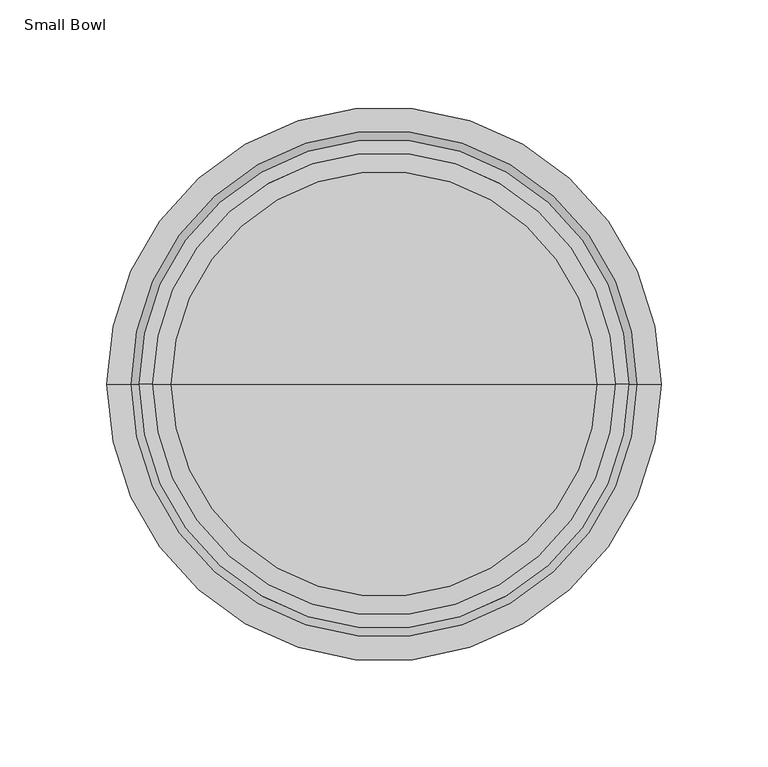
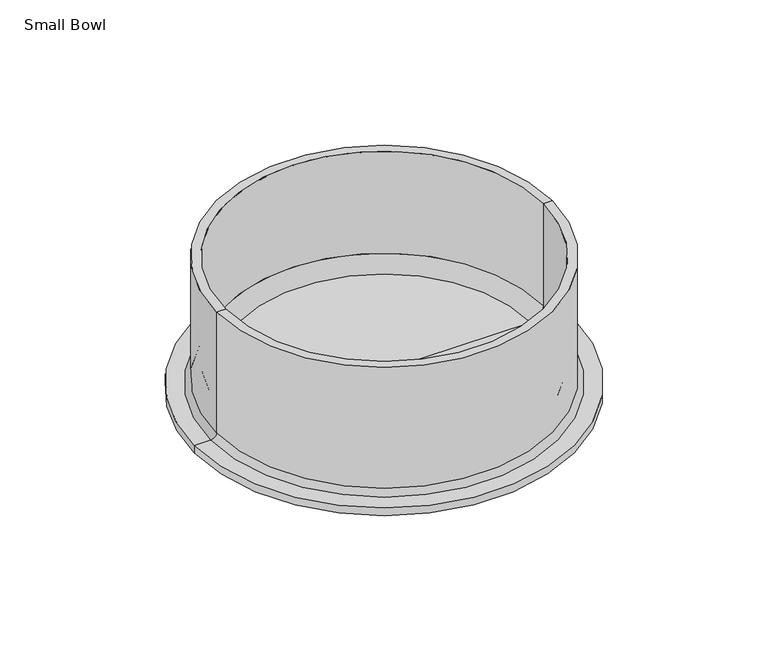
"""IFC4 building model written with IfcOpenShell, lengths in millimetres: furniture geometry, Small Bowl."""

from ifc_helpers import new_model, si_unit, point, frame, origin, place, context, project, spatial, polyline, circle_curve, ellipse_curve, trimmed, source, transform, mapped, element, save
from ifc_brep_helpers import plane_surface, cylinder_surface, revolved_surface, advanced_brep


def small_bowl_9632710e(model_context):
    return source(origin(), model_context, "Body", "AdvancedBrep", [
        advanced_brep(
        [(114.3933667, 0.0, 1152.3059672), (-114.3933667, 0.0, 1152.3059672), (-114.3933667, 0.0, 1239.3672374), (114.3933667, 0.0, 1239.3672374), (118.2033667, 0.0, 1148.4959672), (-118.2033667, 0.0, 1148.4959672), (129.4628139, 0.0, 1148.4959672), (-129.4628139, 0.0, 1148.4959672), (129.4628139, 0.0, 1143.0), (-129.4628139, 0.0, 1143.0), (0.0, 0.0, 1143.0), (99.3172517, 0.0, 1157.0294409), (-99.3172517, 0.0, 1157.0294409), (0.0, 0.0, 1157.0294409), (108.2072517, 0.0, 1239.3672374), (-108.2072517, 0.0, 1239.3672374), (-108.2072517, 0.0, 1165.9194409), (108.2072517, 0.0, 1165.9194409)],
        [
            (0, 1, circle_curve(frame((0.0, 0.0, 1152.3059672), z_axis=(0.0, 0.0, 1.0), x_axis=(-1.0, 0.0, 0.0)), 114.3933667)),
            (1, 2),
            (2, 3, circle_curve(frame((0.0, 0.0, 1239.3672374), z_axis=(0.0, 0.0, -1.0), x_axis=(-1.0, 0.0, 0.0)), 114.3933667)),
            (3, 0),
            (1, 0, circle_curve(frame((0.0, 0.0, 1152.3059672), z_axis=(0.0, 0.0, 1.0), x_axis=(-1.0, 0.0, 0.0)), 114.3933667)),
            (3, 2, circle_curve(frame((0.0, 0.0, 1239.3672374), z_axis=(0.0, 0.0, -1.0), x_axis=(-1.0, 0.0, 0.0)), 114.3933667)),
            (4, 5, circle_curve(frame((0.0, 0.0, 1148.4959672), z_axis=(0.0, 0.0, 1.0), x_axis=(-1.0, 0.0, 0.0)), 118.2033667)),
            (5, 1, circle_curve(frame((-118.2033667, 0.0, 1152.3059672), z_axis=(0.0, -1.0, 0.0), x_axis=(1.0, 0.0, 0.0)), 3.81)),
            (0, 4, circle_curve(frame((118.2033667, 0.0, 1152.3059672), z_axis=(0.0, -1.0, 0.0), x_axis=(-1.0, 0.0, 0.0)), 3.81)),
            (5, 4, circle_curve(frame((0.0, 0.0, 1148.4959672), z_axis=(0.0, 0.0, 1.0), x_axis=(-1.0, 0.0, 0.0)), 118.2033667)),
            (6, 7, circle_curve(frame((0.0, 0.0, 1148.4959672), z_axis=(0.0, 0.0, 1.0), x_axis=(-1.0, 0.0, 0.0)), 129.4628139)),
            (7, 5),
            (4, 6),
            (7, 6, circle_curve(frame((0.0, 0.0, 1148.4959672), z_axis=(0.0, 0.0, 1.0), x_axis=(-1.0, 0.0, 0.0)), 129.4628139)),
            (8, 9, circle_curve(frame((0.0, 0.0, 1143.0), z_axis=(0.0, 0.0, 1.0), x_axis=(-1.0, 0.0, 0.0)), 129.4628139)),
            (9, 7),
            (6, 8),
            (9, 8, circle_curve(frame((0.0, 0.0, 1143.0), z_axis=(0.0, 0.0, 1.0), x_axis=(-1.0, 0.0, 0.0)), 129.4628139)),
            (10, 9),
            (8, 10),
            (11, 12, circle_curve(frame((0.0, 0.0, 1157.0294409), z_axis=(0.0, 0.0, 1.0), x_axis=(-1.0, 0.0, 0.0)), 99.3172517)),
            (12, 13),
            (13, 11),
            (12, 11, circle_curve(frame((0.0, 0.0, 1157.0294409), z_axis=(0.0, 0.0, 1.0), x_axis=(-1.0, 0.0, 0.0)), 99.3172517)),
            (14, 15, circle_curve(frame((0.0, 0.0, 1239.3672374), z_axis=(0.0, 0.0, 1.0), x_axis=(-1.0, 0.0, 0.0)), 108.2072517)),
            (15, 16),
            (16, 17, circle_curve(frame((0.0, 0.0, 1165.9194409), z_axis=(0.0, 0.0, -1.0), x_axis=(-1.0, 0.0, 0.0)), 108.2072517)),
            (17, 14),
            (15, 14, circle_curve(frame((0.0, 0.0, 1239.3672374), z_axis=(0.0, 0.0, 1.0), x_axis=(-1.0, 0.0, 0.0)), 108.2072517)),
            (17, 16, circle_curve(frame((0.0, 0.0, 1165.9194409), z_axis=(0.0, 0.0, -1.0), x_axis=(-1.0, 0.0, 0.0)), 108.2072517)),
            (2, 15),
            (14, 3),
            (16, 12, circle_curve(frame((-99.3172517, 0.0, 1165.9194409), z_axis=(0.0, -1.0, 0.0), x_axis=(1.0, 0.0, 0.0)), 8.89)),
            (11, 17, circle_curve(frame((99.3172517, 0.0, 1165.9194409), z_axis=(0.0, -1.0, 0.0), x_axis=(-1.0, 0.0, 0.0)), 8.89)),
        ],
        [
            cylinder_surface(frame((0.0, 0.0, 1250.95), z_axis=(0.0, 0.0, -1.0), x_axis=(-1.0, 0.0, 0.0)), 114.3933667),
            revolved_surface(trimmed(ellipse_curve(frame((-118.2033667, 0.0, 1152.3059672), z_axis=(0.0, 1.0, 0.0), x_axis=(1.0, 0.0, 0.0)), 3.81, 3.81), [point((-114.3933667, 0.0, 1152.3059672))], [point((-118.2033667, 0.0, 1148.4959672))], True, "CARTESIAN"), (0.0, 0.0, 1250.95), (0.0, 0.0, -1.0)),
            plane_surface(frame((0.0, 0.0, 1148.4959672), z_axis=(0.0, 0.0, 1.0), x_axis=(-1.0, 0.0, 0.0))),
            cylinder_surface(frame((0.0, 0.0, 1250.95), z_axis=(0.0, 0.0, -1.0), x_axis=(-1.0, 0.0, 0.0)), 129.4628139),
            plane_surface(frame((0.0, 0.0, 1143.0), z_axis=(0.0, 0.0, -1.0), x_axis=(-1.0, 0.0, 0.0))),
            plane_surface(frame((0.0, 0.0, 1157.0294409), z_axis=(0.0, 0.0, 1.0), x_axis=(-1.0, 0.0, 0.0))),
            revolved_surface(polyline([(-108.2072517, 0.0, 1165.9194409), (-108.2072517, 0.0, 1239.3672374)]), (0.0, 0.0, 1250.95), (0.0, 0.0, -1.0)),
            plane_surface(frame((0.0, 0.0, 1239.3672374), z_axis=(0.0, 0.0, 1.0), x_axis=(-1.0, 0.0, 0.0))),
            revolved_surface(trimmed(ellipse_curve(frame((-99.3172517, 0.0, 1165.9194409), z_axis=(0.0, 1.0, 0.0), x_axis=(1.0, 0.0, 0.0)), 8.89, 8.89), [point((-99.3172517, 0.0, 1157.0294409))], [point((-108.2072517, 0.0, 1165.9194409))], True, "CARTESIAN"), (0.0, 0.0, 1250.95), (0.0, 0.0, -1.0)),
        ],
        [
            (0, [[1, 2, 3, 4]]),
            (0, [[5, -4, 6, -2]]),
            (1, [[7, 8, -1, 9]]),
            (1, [[10, -9, -5, -8]]),
            (2, [[11, 12, -7, 13]]),
            (2, [[14, -13, -10, -12]]),
            (3, [[15, 16, -11, 17]]),
            (3, [[18, -17, -14, -16]]),
            (4, [[19, -15, 20]]),
            (4, [[-20, -18, -19]]),
            (5, [[21, 22, 23]]),
            (5, [[24, -23, -22]]),
            (6, [[25, 26, 27, 28]]),
            (6, [[29, -28, 30, -26]]),
            (7, [[-3, 31, -25, 32]]),
            (7, [[-6, -32, -29, -31]]),
            (8, [[-27, 33, -21, 34]]),
            (8, [[-30, -34, -24, -33]]),
        ],
    ),
    ])


if __name__ == "__main__":
    model = new_model("IFC4")
    model_context = context("Model", 3, world=origin())
    ifc_project = project(units=[si_unit("LENGTHUNIT", "METRE", prefix="MILLI")], contexts=[model_context])
    site = spatial("IfcSite", under=ifc_project)
    building = spatial("IfcBuilding", under=site)
    placement = place(None, origin())
    small_bowl_shape = small_bowl_9632710e(model_context)
    element("IfcFurniture", 1, ObjectType="Small Bowl", at=placement, inside=building, context=model_context, shape_type="MappedRepresentation", body=[
        mapped(small_bowl_shape, transform((0.0, 0.0, 0.0), x_axis=(1.0, 0.0, 0.0), y_axis=(0.0, 1.0, 0.0), z_axis=(0.0, 0.0, 1.0))),
    ])
    save(model, "model.ifc")
